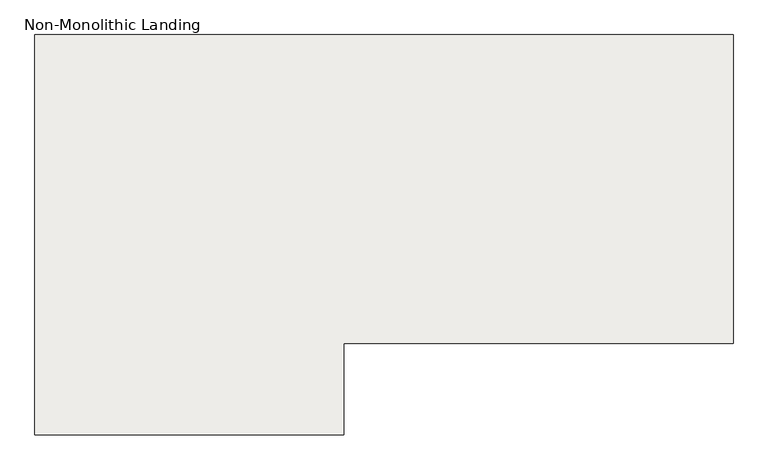
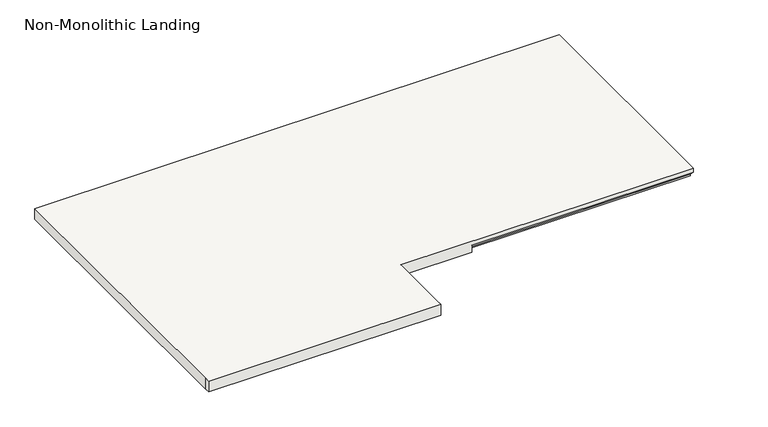
"""IFC4 building model written with IfcOpenShell, lengths in millimetres: slab geometry, Non-Monolithic Landing."""

from ifc_helpers import new_model, si_unit, origin, place, context, project, spatial, faceted_brep, source, transform, mapped, element, save


def non_monolithic_landing_2da36ee2(model_context):
    return source(origin(), model_context, "Body", "Brep", [
        faceted_brep([(-18126.0930445, 6447.7720312, 41692.2857143), (-20450.1930445, 6447.7720312, 41692.2857143), (-20450.1930445, 5140.0460566, 41692.2857143), (-20450.1930445, 5114.6460566, 41692.2857143), (-19421.8670699, 5114.6460566, 41692.2857143), (-19421.8670699, 5140.0460566, 41692.2857143), (-19421.8670699, 5419.4460566, 41692.2857143), (-18126.0930445, 5419.4460566, 41692.2857143), (-19107.5828216, 5444.8460566, 41641.4857143), (-19107.5828216, 5419.4460566, 41641.4857143), (-19421.8670699, 5419.4460566, 41641.4857143), (-19421.8670699, 5140.0460566, 41641.4857143), (-19421.8670699, 5114.6460566, 41641.4857143), (-20450.1930445, 5114.6460566, 41641.4857143), (-20450.1930445, 5140.0460566, 41641.4857143), (-20450.1930445, 6447.7720312, 41641.4857143), (-18126.0930445, 6447.7720312, 41641.4857143), (-18126.0930445, 5444.8460566, 41641.4857143), (-19107.5828216, 5444.8460566, 41647.8357143), (-19107.5828216, 5419.4460566, 41673.2357143), (-18126.0930445, 5444.8460566, 41647.8357143), (-18126.0930445, 5419.4460566, 41673.2357143)], [[[0, 1, 2, 3, 4, 5, 6, 7]], [[8, 9, 10, 11, 12, 13, 14, 15, 16, 17]], [[9, 8, 18, 19]], [[8, 17, 20, 18]], [[0, 7, 21, 20, 17, 16]], [[1, 0, 16, 15]], [[2, 1, 15, 14]], [[3, 2, 14, 13]], [[4, 3, 13, 12]], [[5, 4, 12, 11]], [[6, 5, 11, 10]], [[7, 6, 10, 9, 19, 21]], [[20, 21, 19, 18]]]),
    ])


if __name__ == "__main__":
    model = new_model("IFC4")
    model_context = context("Model", 3, world=origin())
    ifc_project = project(units=[si_unit("LENGTHUNIT", "METRE", prefix="MILLI")], contexts=[model_context])
    site = spatial("IfcSite", under=ifc_project)
    building = spatial("IfcBuilding", under=site)
    placement = place(None, origin())
    non_monolithic_landing_shape = non_monolithic_landing_2da36ee2(model_context)
    element("IfcSlab", 1, ObjectType="Non-Monolithic Landing", at=placement, inside=building, context=model_context, shape_type="MappedRepresentation", body=[
        mapped(non_monolithic_landing_shape, transform((0.0, 0.0, 0.0), x_axis=(1.0, 0.0, 0.0), y_axis=(0.0, 1.0, 0.0), z_axis=(0.0, 0.0, 1.0))),
    ])
    save(model, "model.ifc")
